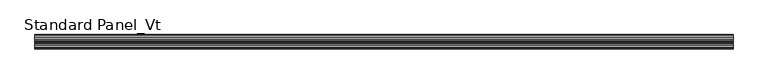
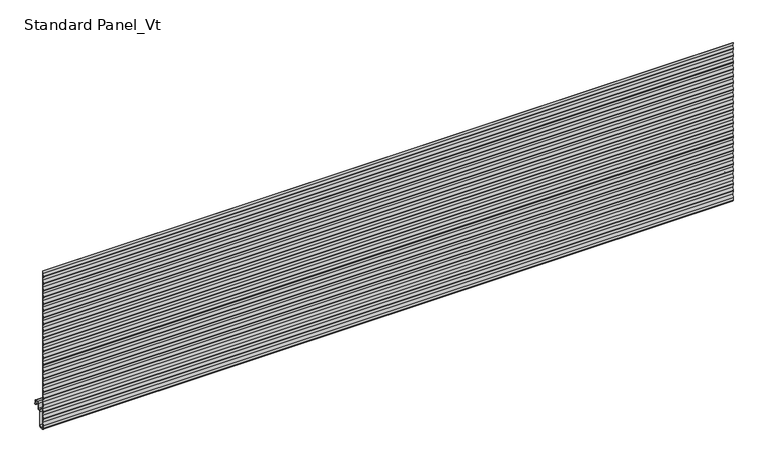
"""IFC4 building model written with IfcOpenShell, lengths in millimetres: proxy geometry, Standard Panel_Vt."""

import ifcopenshell
import ifcopenshell.guid

model = None  # the IFC model being written
_history = None  # IfcOwnerHistory: only IFC2X3 demands one
_inside = {}  # id of a spatial element -> (the spatial element, [elements in it])
_under = {}  # id of a project, library or spatial element -> (it, [spatial elements below it])
_declared = {}  # id of a project -> (the project, [libraries it declares])
_typed = {}  # id of a type object -> (the type object, [elements of that type])
_made_of = {}  # id of a material, layer set ... -> (it, [elements and type objects made of it])


def new_model(schema):
    """Start an empty IFC model of exactly this schema.

    Asked for "IFC4X3", IfcOpenShell would pick the latest addendum, in which some entities
    have other attributes; the version numbers below select the first issue.
    IFC2X3 requires an IfcOwnerHistory on every rooted entity: one is made here for all.
    """
    global model, _history
    if schema == "IFC4X3":
        model = ifcopenshell.file(schema_version=(4, 3, 0, 0))
    else:
        model = ifcopenshell.file(schema=schema)
    _inside.clear()
    _under.clear()
    _declared.clear()
    _typed.clear()
    _made_of.clear()
    _history = None
    if model.schema == "IFC2X3":
        org = make("IfcOrganization", Name="unknown")
        user = make(
            "IfcPersonAndOrganization",
            ThePerson=make("IfcPerson", FamilyName="unknown"),
            TheOrganization=org,
        )
        app = make(
            "IfcApplication",
            ApplicationDeveloper=org,
            Version="unknown",
            ApplicationFullName="unknown",
            ApplicationIdentifier="unknown",
        )
        _history = make(
            "IfcOwnerHistory",
            OwningUser=user,
            OwningApplication=app,
            ChangeAction="ADDED",
            CreationDate=0,
        )
    return model


def make(cls, **values):
    """One entity of the class cls with the attributes given. An attribute that is None is left unset."""
    return model.create_entity(
        cls, **{name: value for name, value in values.items() if value is not None}
    )


def rooted(cls, **values):
    """An entity with a GlobalId (a new one), such as an element, a storey or a relation."""
    return make(cls, GlobalId=ifcopenshell.guid.new(), OwnerHistory=_history, **values)


def si_unit(unit_type, name, prefix=None):
    """IfcSIUnit, for example si_unit("LENGTHUNIT", "METRE", prefix="MILLI")."""
    return make("IfcSIUnit", UnitType=unit_type, Prefix=prefix, Name=name)


def assignment(units):
    """IfcUnitAssignment: the units of a project."""
    return None if units is None else make("IfcUnitAssignment", Units=units)


def point(xyz):
    """IfcCartesianPoint."""
    return None if xyz is None else make("IfcCartesianPoint", Coordinates=xyz)


def direction(xyz):
    """IfcDirection."""
    return None if xyz is None else make("IfcDirection", DirectionRatios=xyz)


def frame(location, z_axis=None, x_axis=None):
    """IfcAxis2Placement3D, a coordinate frame: its origin and axes. An axis left out is left unset."""
    return make(
        "IfcAxis2Placement3D",
        Location=point(location),
        Axis=direction(z_axis),
        RefDirection=direction(x_axis),
    )


def frame_2d(location, x_axis=None):
    """IfcAxis2Placement2D, a coordinate frame in the plane: its origin and x axis."""
    return make(
        "IfcAxis2Placement2D", Location=point(location), RefDirection=direction(x_axis)
    )


def origin():
    """The frame at (0, 0, 0) with its axes left unset."""
    return frame((0.0, 0.0, 0.0))


def place(relative_to, where):
    """IfcLocalPlacement: puts the frame where relative to a parent placement (None: the world)."""
    return make(
        "IfcLocalPlacement", PlacementRelTo=relative_to, RelativePlacement=where
    )


def context(
    kind, dimensions, precision=None, world=None, true_north=None, identifier=None
):
    """IfcGeometricRepresentationContext, for example the 3D "Model" context."""
    return make(
        "IfcGeometricRepresentationContext",
        ContextIdentifier=identifier,
        ContextType=kind,
        CoordinateSpaceDimension=dimensions,
        Precision=precision,
        WorldCoordinateSystem=world,
        TrueNorth=true_north,
    )


def project(units=None, contexts=None):
    """IfcProject with its units and contexts."""
    return rooted(
        "IfcProject",
        Name="project",
        RepresentationContexts=contexts,
        UnitsInContext=assignment(units),
    )


def spatial(cls, under=None, at=None, **own):
    """A site, building, storey or space (cls), placed at a placement, below another one or the project."""
    s = rooted(cls, ObjectPlacement=at, **own)
    if under is not None:
        _under.setdefault(under.id(), (under, []))[1].append(s)
    return s


def polyline(points):
    """IfcPolyline through the points."""
    return make("IfcPolyline", Points=[point(p) for p in points])


def circle_curve(where, radius):
    """IfcCircle in the frame where."""
    return make("IfcCircle", Position=where, Radius=radius)


def trimmed(basis, trim1, trim2, sense, master):
    """IfcTrimmedCurve: the piece of a basis curve between two trims."""
    return make(
        "IfcTrimmedCurve",
        BasisCurve=basis,
        Trim1=trim1,
        Trim2=trim2,
        SenseAgreement=sense,
        MasterRepresentation=master,
    )


def segment(curve, same_sense, transition):
    """IfcCompositeCurveSegment."""
    return make(
        "IfcCompositeCurveSegment",
        Transition=transition,
        SameSense=same_sense,
        ParentCurve=curve,
    )


def composite_curve(segments, self_intersect=None):
    """IfcCompositeCurve: segments joined end to end."""
    return make("IfcCompositeCurve", Segments=segments, SelfIntersect=self_intersect)


def outline(outer, holes=None, kind="AREA"):
    """IfcArbitraryClosedProfileDef: a profile drawn as a closed curve; with holes, ...WithVoids."""
    if holes is None:
        return make("IfcArbitraryClosedProfileDef", ProfileType=kind, OuterCurve=outer)
    return make(
        "IfcArbitraryProfileDefWithVoids",
        ProfileType=kind,
        OuterCurve=outer,
        InnerCurves=holes,
    )


def extrude(swept, where, along, depth):
    """IfcExtrudedAreaSolid: the profile swept, set in the frame where, extruded along a direction by depth."""
    return make(
        "IfcExtrudedAreaSolid",
        SweptArea=swept,
        Position=where,
        ExtrudedDirection=direction(along),
        Depth=depth,
    )


def shape(context_of_items, identifier, shape_type, items):
    """IfcShapeRepresentation: the items that make up one representation, for example the "Body"."""
    return make(
        "IfcShapeRepresentation",
        ContextOfItems=context_of_items,
        RepresentationIdentifier=identifier,
        RepresentationType=shape_type,
        Items=items,
    )


def source(mapping_origin, context_of_items, identifier, shape_type, items):
    """IfcRepresentationMap: a shape defined once, which mapped items show again and again."""
    return make(
        "IfcRepresentationMap",
        MappingOrigin=mapping_origin,
        MappedRepresentation=shape(context_of_items, identifier, shape_type, items),
    )


def transform(
    local_origin,
    x_axis=None,
    y_axis=None,
    z_axis=None,
    scale=None,
    scale2=None,
    scale3=None,
    uniform=True,
):
    """IfcCartesianTransformationOperator3D, or its non-uniform kind. x_axis, y_axis, z_axis: its Axis1, 2, 3."""
    if uniform:
        return make(
            "IfcCartesianTransformationOperator3D",
            Axis1=direction(x_axis),
            Axis2=direction(y_axis),
            LocalOrigin=point(local_origin),
            Scale=scale,
            Axis3=direction(z_axis),
        )
    return make(
        "IfcCartesianTransformationOperator3DnonUniform",
        Axis1=direction(x_axis),
        Axis2=direction(y_axis),
        LocalOrigin=point(local_origin),
        Scale=scale,
        Axis3=direction(z_axis),
        Scale2=scale2,
        Scale3=scale3,
    )


def mapped(mapping_source, mapping_target):
    """IfcMappedItem: shows the shape of a source again, moved by a transform."""
    return make(
        "IfcMappedItem", MappingSource=mapping_source, MappingTarget=mapping_target
    )


def made_of(thing, what):
    """Note that an element or type object is made of a material, layer set ...; save() writes the relation."""
    if what is not None:
        _made_of.setdefault(what.id(), (what, []))[1].append(thing)
    return thing


def element(
    cls,
    number,
    at=None,
    inside=None,
    cuts=None,
    type_object=None,
    material=None,
    context=None,
    identifier="Body",
    shape_type=None,
    held_by="IfcProductDefinitionShape",
    body=None,
    shapes=None,
    **own,
):
    """One element of the class cls, such as IfcWall. Its Tag is "e" and its number.

    at: its placement. inside: the storey or other place that contains it. cuts: it is an
    opening in that element (IfcRelVoidsElement). A single representation is given by context,
    identifier, shape_type and body (its items); several are given by shapes. held_by: the class
    of the entity that holds the representations. save() writes the other relations.
    """
    e = rooted(cls, Tag="e%d" % number, ObjectPlacement=at, **own)
    if body is not None:
        shapes = [shape(context, identifier, shape_type, body)]
    if shapes is not None:
        e.Representation = make(held_by, Representations=shapes)
    if inside is not None:
        _inside.setdefault(inside.id(), (inside, []))[1].append(e)
    if cuts is not None:
        rooted(
            "IfcRelVoidsElement", RelatingBuildingElement=cuts, RelatedOpeningElement=e
        )
    if type_object is not None:
        _typed.setdefault(type_object.id(), (type_object, []))[1].append(e)
    return made_of(e, material)


def aggregate(whole, parts):
    """IfcRelAggregates: a whole, such as a stair, and the parts it consists of."""
    return rooted("IfcRelAggregates", RelatingObject=whole, RelatedObjects=parts)


def save(model, path):
    """Write the relations noted so far, then the file.

    IfcRelAggregates (storeys below a building ...), IfcRelContainedInSpatialStructure (elements
    in a storey), IfcRelDefinesByType, IfcRelAssociatesMaterial and IfcRelDeclares: one each for
    every whole, place, type object, material and project.
    """
    for whole, parts in _under.values():
        aggregate(whole, parts)
    for where, things in _inside.values():
        rooted(
            "IfcRelContainedInSpatialStructure",
            RelatedElements=things,
            RelatingStructure=where,
        )
    for kind, things in _typed.values():
        rooted("IfcRelDefinesByType", RelatedObjects=things, RelatingType=kind)
    for what, things in _made_of.values():
        rooted("IfcRelAssociatesMaterial", RelatedObjects=things, RelatingMaterial=what)
    for by, libraries in _declared.values():
        rooted("IfcRelDeclares", RelatingContext=by, RelatedDefinitions=libraries)
    model.write(path)


def standard_panel_vt_09175ae8(model_context):
    return source(origin(), model_context, "Body", "SweptSolid", [
        extrude(outline(composite_curve([segment(polyline([(-99.0382692, 314.7570927), (-99.7373235, 320.0), (-98.9302437, 320.0), (-98.2311894, 314.7570927), (-99.1690104, 307.7234349)]), True, "CONTINUOUS"), segment(trimmed(circle_curve(frame_2d((-95.5946345, 307.2468514)), 3.6060082), [point((-99.1690104, 307.7234349))], [point((-99.1690104, 306.770268))], True, "CARTESIAN"), True, "CONTINUOUS"), segment(polyline([(-99.1690104, 306.770268), (-98.2311894, 299.7366102), (-99.1690104, 292.7029524)]), True, "CONTINUOUS"), segment(trimmed(circle_curve(frame_2d((-95.5946345, 292.226369)), 3.6060082), [point((-99.1690104, 292.7029524))], [point((-99.1690104, 291.7497855))], True, "CARTESIAN"), True, "CONTINUOUS"), segment(polyline([(-99.1690104, 291.7497855), (-98.2311894, 284.7161278), (-99.1690104, 277.68247)]), True, "CONTINUOUS"), segment(trimmed(circle_curve(frame_2d((-95.5946345, 277.2058865)), 3.6060082), [point((-99.1690104, 277.68247))], [point((-99.1690104, 276.7293031))], True, "CARTESIAN"), True, "CONTINUOUS"), segment(polyline([(-99.1690104, 276.7293031), (-98.2311894, 269.6956453), (-99.1690104, 262.6619875)]), True, "CONTINUOUS"), segment(trimmed(circle_curve(frame_2d((-95.5946345, 262.1854041)), 3.6060082), [point((-99.1690104, 262.6619875))], [point((-99.1690104, 261.7088206))], True, "CARTESIAN"), True, "CONTINUOUS"), segment(polyline([(-99.1690104, 261.7088206), (-98.2311894, 254.6751629), (-99.1690104, 247.6415051)]), True, "CONTINUOUS"), segment(trimmed(circle_curve(frame_2d((-95.5946345, 247.1649216)), 3.6060082), [point((-99.1690104, 247.6415051))], [point((-99.1690104, 246.6883382))], True, "CARTESIAN"), True, "CONTINUOUS"), segment(polyline([(-99.1690104, 246.6883382), (-98.2311894, 239.6546804), (-99.1690104, 232.6210227)]), True, "CONTINUOUS"), segment(trimmed(circle_curve(frame_2d((-95.5946345, 232.1444392)), 3.6060082), [point((-99.1690104, 232.6210227))], [point((-99.1690104, 231.6678557))], True, "CARTESIAN"), True, "CONTINUOUS"), segment(polyline([(-99.1690104, 231.6678557), (-98.2311894, 224.634198), (-99.1690104, 217.6005402)]), True, "CONTINUOUS"), segment(trimmed(circle_curve(frame_2d((-95.5946345, 217.1239568)), 3.6060082), [point((-99.1690104, 217.6005402))], [point((-99.1690104, 216.6473733))], True, "CARTESIAN"), True, "CONTINUOUS"), segment(polyline([(-99.1690104, 216.6473733), (-98.2311894, 209.6137155), (-99.1690104, 202.5800578)]), True, "CONTINUOUS"), segment(trimmed(circle_curve(frame_2d((-95.5946345, 202.1034743)), 3.6060082), [point((-99.1690104, 202.5800578))], [point((-99.1690104, 201.6268908))], True, "CARTESIAN"), True, "CONTINUOUS"), segment(polyline([(-99.1690104, 201.6268908), (-98.2311894, 194.5932331), (-99.1690104, 187.5595753)]), True, "CONTINUOUS"), segment(trimmed(circle_curve(frame_2d((-95.5946345, 187.0829919)), 3.6060082), [point((-99.1690104, 187.5595753))], [point((-99.1690104, 186.6064084))], True, "CARTESIAN"), True, "CONTINUOUS"), segment(polyline([(-99.1690104, 186.6064084), (-98.2311894, 179.5727507), (-99.1690104, 172.5390929)]), True, "CONTINUOUS"), segment(trimmed(circle_curve(frame_2d((-95.5946345, 172.0625094)), 3.6060082), [point((-99.1690104, 172.5390929))], [point((-99.1690104, 171.585926))], True, "CARTESIAN"), True, "CONTINUOUS"), segment(polyline([(-99.1690104, 171.585926), (-98.2311894, 164.5522682), (-99.1690104, 157.5186104)]), True, "CONTINUOUS"), segment(trimmed(circle_curve(frame_2d((-95.5946345, 157.042027)), 3.6060082), [point((-99.1690104, 157.5186104))], [point((-99.1690104, 156.5654435))], True, "CARTESIAN"), True, "CONTINUOUS"), segment(polyline([(-99.1690104, 156.5654435), (-98.2311894, 149.5317858), (-99.1690104, 142.498128)]), True, "CONTINUOUS"), segment(trimmed(circle_curve(frame_2d((-95.5946345, 142.0215445)), 3.6060082), [point((-99.1690104, 142.498128))], [point((-99.1690104, 141.5449611))], True, "CARTESIAN"), True, "CONTINUOUS"), segment(polyline([(-99.1690104, 141.5449611), (-98.2311894, 134.5113033), (-99.1690104, 127.4776455)]), True, "CONTINUOUS"), segment(trimmed(circle_curve(frame_2d((-95.5946345, 127.0010621)), 3.6060082), [point((-99.1690104, 127.4776455))], [point((-99.1690104, 126.5244786))], True, "CARTESIAN"), True, "CONTINUOUS"), segment(polyline([(-99.1690104, 126.5244786), (-98.2311894, 119.4908209), (-99.1690104, 112.4571631)]), True, "CONTINUOUS"), segment(trimmed(circle_curve(frame_2d((-95.5946345, 111.9805796)), 3.6060082), [point((-99.1690104, 112.4571631))], [point((-99.1690104, 111.5039962))], True, "CARTESIAN"), True, "CONTINUOUS"), segment(polyline([(-99.1690104, 111.5039962), (-98.2311894, 104.4703384), (-99.1690104, 97.4366807)]), True, "CONTINUOUS"), segment(trimmed(circle_curve(frame_2d((-95.5946345, 96.9600972)), 3.6060082), [point((-99.1690104, 97.4366807))], [point((-99.1690104, 96.4835137))], True, "CARTESIAN"), True, "CONTINUOUS"), segment(polyline([(-99.1690104, 96.4835137), (-98.2311894, 89.449856), (-99.1690104, 82.4161982)]), True, "CONTINUOUS"), segment(trimmed(circle_curve(frame_2d((-95.5946345, 81.9396148)), 3.6060082), [point((-99.1690104, 82.4161982))], [point((-99.1690104, 81.4630313))], True, "CARTESIAN"), True, "CONTINUOUS"), segment(polyline([(-99.1690104, 81.4630313), (-98.2311894, 74.4293735), (-99.1690104, 67.3957158)]), True, "CONTINUOUS"), segment(trimmed(circle_curve(frame_2d((-95.5946345, 66.9191323)), 3.6060082), [point((-99.1690104, 67.3957158))], [point((-99.1690104, 66.4425488))], True, "CARTESIAN"), True, "CONTINUOUS"), segment(polyline([(-99.1690104, 66.4425488), (-98.2311894, 59.4088911), (-99.1690104, 52.3752333)]), True, "CONTINUOUS"), segment(trimmed(circle_curve(frame_2d((-95.5946345, 51.8986499)), 3.6060082), [point((-99.1690104, 52.3752333))], [point((-99.1690104, 51.4220664))], True, "CARTESIAN"), True, "CONTINUOUS"), segment(polyline([(-99.1690104, 51.4220664), (-98.2311894, 44.3884087), (-99.1690104, 37.3547509)]), True, "CONTINUOUS"), segment(trimmed(circle_curve(frame_2d((-95.5946345, 36.8781674)), 3.6060082), [point((-99.1690104, 37.3547509))], [point((-99.1690104, 36.401584))], True, "CARTESIAN"), True, "CONTINUOUS"), segment(polyline([(-99.1690104, 36.401584), (-98.2311894, 29.3679262), (-99.2325549, 21.857685), (-98.2311894, 14.3474437), (-99.1690104, 7.313786)]), True, "CONTINUOUS"), segment(trimmed(circle_curve(frame_2d((-95.5946345, 6.8372025)), 3.6060082), [point((-99.1690104, 7.313786))], [point((-99.1690104, 6.3606191))], True, "CARTESIAN"), True, "CONTINUOUS"), segment(polyline([(-99.1690104, 6.3606191), (-98.2311894, -0.6730387), (-99.1690104, -7.7066964)]), True, "CONTINUOUS"), segment(trimmed(circle_curve(frame_2d((-95.5946345, -8.1832799)), 3.6060082), [point((-99.1690104, -7.7066964))], [point((-99.1690104, -8.6598634))], True, "CARTESIAN"), True, "CONTINUOUS"), segment(polyline([(-99.1690104, -8.6598634), (-98.2311894, -15.6935211), (-99.2006275, -22.9643066), (-99.2006275, -28.9549199)]), True, "CONTINUOUS"), segment(trimmed(circle_curve(frame_2d((-96.4402183, -28.9549199)), 2.7604092), [point((-99.2006275, -28.9549199))], [point((-96.1996106, -31.704823))], True, "CARTESIAN"), True, "CONTINUOUS"), segment(polyline([(-96.1996106, -31.704823), (-91.4529208, -31.2895029)]), True, "CONTINUOUS"), segment(trimmed(circle_curve(frame_2d((-91.7057134, -28.4003379)), 2.9002032), [point((-91.4529208, -31.2895029))], [point((-88.8055103, -28.4003379))], True, "CARTESIAN"), True, "CONTINUOUS"), segment(polyline([(-88.8055103, -28.4003379), (-88.8055103, 1.2289307)]), True, "CONTINUOUS"), segment(trimmed(circle_curve(frame_2d((-86.4057064, 1.2289307)), 2.3998039), [point((-88.8055103, 1.2289307))], [point((-86.4057064, 3.6287346))], False, "CARTESIAN"), True, "CONTINUOUS"), segment(polyline([(-86.4057064, 3.6287346), (-84.4057064, 3.6287346)]), True, "CONTINUOUS"), segment(trimmed(circle_curve(frame_2d((-84.4057064, 5.2289307)), 1.6001961), [point((-84.4057064, 3.6287346))], [point((-82.8055103, 5.2289307))], True, "CARTESIAN"), True, "CONTINUOUS"), segment(polyline([(-82.8055103, 5.2289307), (-82.8055103, 15.8984215)]), True, "CONTINUOUS"), segment(trimmed(circle_curve(frame_2d((-79.6557064, 15.8984215)), 3.1498039), [point((-82.8055103, 15.8984215))], [point((-79.6557064, 19.0482254))], False, "CARTESIAN"), True, "CONTINUOUS"), segment(polyline([(-79.6557064, 19.0482254), (-75.2557048, 19.0482254)]), True, "CONTINUOUS"), segment(trimmed(circle_curve(frame_2d((-75.2557048, 15.8984215)), 3.1498039), [point((-75.2557048, 19.0482254))], [point((-72.1059009, 15.8984215))], False, "CARTESIAN"), True, "CONTINUOUS"), segment(polyline([(-72.1059009, 15.8984215), (-72.1059009, 8.1391937)]), True, "CONTINUOUS"), segment(trimmed(circle_curve(frame_2d((-71.7057056, 8.1391937)), 0.4001953), [point((-72.1059009, 8.1391937))], [point((-71.3055103, 8.1391937))], True, "CARTESIAN"), True, "CONTINUOUS"), segment(polyline([(-71.3055103, 8.1391937), (-71.3055103, 9.509193), (-70.5055103, 9.509193), (-70.5055103, 8.1391937)]), True, "CONTINUOUS"), segment(trimmed(circle_curve(frame_2d((-71.7057056, 8.1391937)), 1.2001953), [point((-70.5055103, 8.1391937))], [point((-72.9059009, 8.1391937))], False, "CARTESIAN"), True, "CONTINUOUS"), segment(polyline([(-72.9059009, 8.1391937), (-72.9059009, 15.8984215)]), True, "CONTINUOUS"), segment(trimmed(circle_curve(frame_2d((-75.2557048, 15.8984215)), 2.3498039), [point((-72.9059009, 15.8984215))], [point((-75.2557048, 18.2482254))], True, "CARTESIAN"), True, "CONTINUOUS"), segment(polyline([(-75.2557048, 18.2482254), (-79.6557064, 18.2482254)]), True, "CONTINUOUS"), segment(trimmed(circle_curve(frame_2d((-79.6557064, 15.8984215)), 2.3498039), [point((-79.6557064, 18.2482254))], [point((-82.0055103, 15.8984215))], True, "CARTESIAN"), True, "CONTINUOUS"), segment(polyline([(-82.0055103, 15.8984215), (-82.0055103, 5.2289307)]), True, "CONTINUOUS"), segment(trimmed(circle_curve(frame_2d((-84.4057064, 5.2289307)), 2.4001961), [point((-82.0055103, 5.2289307))], [point((-84.4057064, 2.8287346))], False, "CARTESIAN"), True, "CONTINUOUS"), segment(polyline([(-84.4057064, 2.8287346), (-86.4057064, 2.8287346)]), True, "CONTINUOUS"), segment(trimmed(circle_curve(frame_2d((-86.4057064, 1.2289307)), 1.5998039), [point((-86.4057064, 2.8287346))], [point((-88.0055103, 1.2289307))], True, "CARTESIAN"), True, "CONTINUOUS"), segment(polyline([(-88.0055103, 1.2289307), (-88.0055103, -28.4003379)]), True, "CONTINUOUS"), segment(trimmed(circle_curve(frame_2d((-91.7057134, -28.4003379)), 3.7002032), [point((-88.0055103, -28.4003379))], [point((-91.3831898, -32.0864581))], False, "CARTESIAN"), True, "CONTINUOUS"), segment(polyline([(-91.3831898, -32.0864581), (-96.1298796, -32.5017781)]), True, "CONTINUOUS"), segment(trimmed(circle_curve(frame_2d((-96.4402183, -28.9549199)), 3.5604092), [point((-96.1298796, -32.5017781))], [point((-100.0006275, -28.9549199))], False, "CARTESIAN"), True, "CONTINUOUS"), segment(polyline([(-100.0006275, -28.9549199), (-100.0006275, -22.9112082), (-99.0382692, -15.6935211), (-99.9619928, -8.7655943)]), True, "CONTINUOUS"), segment(trimmed(circle_curve(frame_2d((-95.5946345, -8.1832799)), 4.4060082), [point((-99.9619928, -8.7655943))], [point((-99.9619928, -7.6009655))], False, "CARTESIAN"), True, "CONTINUOUS"), segment(polyline([(-99.9619928, -7.6009655), (-99.0382692, -0.6730387), (-99.9619928, 6.2548881)]), True, "CONTINUOUS"), segment(trimmed(circle_curve(frame_2d((-95.5946345, 6.8372025)), 4.4060082), [point((-99.9619928, 6.2548881))], [point((-99.9619928, 7.419517))], False, "CARTESIAN"), True, "CONTINUOUS"), segment(polyline([(-99.9619928, 7.419517), (-99.0382692, 14.3474437), (-100.0396347, 21.857685), (-99.0382692, 29.3679262), (-99.9619928, 36.295853)]), True, "CONTINUOUS"), segment(trimmed(circle_curve(frame_2d((-95.5946345, 36.8781674)), 4.4060082), [point((-99.9619928, 36.295853))], [point((-99.9619928, 37.4604819))], False, "CARTESIAN"), True, "CONTINUOUS"), segment(polyline([(-99.9619928, 37.4604819), (-99.0382692, 44.3884087), (-99.9619928, 51.3163354)]), True, "CONTINUOUS"), segment(trimmed(circle_curve(frame_2d((-95.5946345, 51.8986499)), 4.4060082), [point((-99.9619928, 51.3163354))], [point((-99.9619928, 52.4809643))], False, "CARTESIAN"), True, "CONTINUOUS"), segment(polyline([(-99.9619928, 52.4809643), (-99.0382692, 59.4088911), (-99.9619928, 66.3368179)]), True, "CONTINUOUS"), segment(trimmed(circle_curve(frame_2d((-95.5946345, 66.9191323)), 4.4060082), [point((-99.9619928, 66.3368179))], [point((-99.9619928, 67.5014467))], False, "CARTESIAN"), True, "CONTINUOUS"), segment(polyline([(-99.9619928, 67.5014467), (-99.0382692, 74.4293735), (-99.9619928, 81.3573003)]), True, "CONTINUOUS"), segment(trimmed(circle_curve(frame_2d((-95.5946345, 81.9396148)), 4.4060082), [point((-99.9619928, 81.3573003))], [point((-99.9619928, 82.5219292))], False, "CARTESIAN"), True, "CONTINUOUS"), segment(polyline([(-99.9619928, 82.5219292), (-99.0382692, 89.449856), (-99.9619928, 96.3777828)]), True, "CONTINUOUS"), segment(trimmed(circle_curve(frame_2d((-95.5946345, 96.9600972)), 4.4060082), [point((-99.9619928, 96.3777828))], [point((-99.9619928, 97.5424116))], False, "CARTESIAN"), True, "CONTINUOUS"), segment(polyline([(-99.9619928, 97.5424116), (-99.0382692, 104.4703384), (-99.9619928, 111.3982652)]), True, "CONTINUOUS"), segment(trimmed(circle_curve(frame_2d((-95.5946345, 111.9805796)), 4.4060082), [point((-99.9619928, 111.3982652))], [point((-99.9619928, 112.5628941))], False, "CARTESIAN"), True, "CONTINUOUS"), segment(polyline([(-99.9619928, 112.5628941), (-99.0382692, 119.4908209), (-99.9619928, 126.4187476)]), True, "CONTINUOUS"), segment(trimmed(circle_curve(frame_2d((-95.5946345, 127.0010621)), 4.4060082), [point((-99.9619928, 126.4187476))], [point((-99.9619928, 127.5833765))], False, "CARTESIAN"), True, "CONTINUOUS"), segment(polyline([(-99.9619928, 127.5833765), (-99.0382692, 134.5113033), (-99.9619928, 141.4392301)]), True, "CONTINUOUS"), segment(trimmed(circle_curve(frame_2d((-95.5946345, 142.0215445)), 4.4060082), [point((-99.9619928, 141.4392301))], [point((-99.9619928, 142.603859))], False, "CARTESIAN"), True, "CONTINUOUS"), segment(polyline([(-99.9619928, 142.603859), (-99.0382692, 149.5317858), (-99.9619928, 156.4597125)]), True, "CONTINUOUS"), segment(trimmed(circle_curve(frame_2d((-95.5946345, 157.042027)), 4.4060082), [point((-99.9619928, 156.4597125))], [point((-99.9619928, 157.6243414))], False, "CARTESIAN"), True, "CONTINUOUS"), segment(polyline([(-99.9619928, 157.6243414), (-99.0382692, 164.5522682), (-99.9619928, 171.480195)]), True, "CONTINUOUS"), segment(trimmed(circle_curve(frame_2d((-95.5946345, 172.0625094)), 4.4060082), [point((-99.9619928, 171.480195))], [point((-99.9619928, 172.6448239))], False, "CARTESIAN"), True, "CONTINUOUS"), segment(polyline([(-99.9619928, 172.6448239), (-99.0382692, 179.5727507), (-99.9619928, 186.5006774)]), True, "CONTINUOUS"), segment(trimmed(circle_curve(frame_2d((-95.5946345, 187.0829919)), 4.4060082), [point((-99.9619928, 186.5006774))], [point((-99.9619928, 187.6653063))], False, "CARTESIAN"), True, "CONTINUOUS"), segment(polyline([(-99.9619928, 187.6653063), (-99.0382692, 194.5932331), (-99.9619928, 201.5211599)]), True, "CONTINUOUS"), segment(trimmed(circle_curve(frame_2d((-95.5946345, 202.1034743)), 4.4060082), [point((-99.9619928, 201.5211599))], [point((-99.9619928, 202.6857887))], False, "CARTESIAN"), True, "CONTINUOUS"), segment(polyline([(-99.9619928, 202.6857887), (-99.0382692, 209.6137155), (-99.9619928, 216.5416423)]), True, "CONTINUOUS"), segment(trimmed(circle_curve(frame_2d((-95.5946345, 217.1239568)), 4.4060082), [point((-99.9619928, 216.5416423))], [point((-99.9619928, 217.7062712))], False, "CARTESIAN"), True, "CONTINUOUS"), segment(polyline([(-99.9619928, 217.7062712), (-99.0382692, 224.634198), (-99.9619928, 231.5621248)]), True, "CONTINUOUS"), segment(trimmed(circle_curve(frame_2d((-95.5946345, 232.1444392)), 4.4060082), [point((-99.9619928, 231.5621248))], [point((-99.9619928, 232.7267536))], False, "CARTESIAN"), True, "CONTINUOUS"), segment(polyline([(-99.9619928, 232.7267536), (-99.0382692, 239.6546804), (-99.9619928, 246.5826072)]), True, "CONTINUOUS"), segment(trimmed(circle_curve(frame_2d((-95.5946345, 247.1649216)), 4.4060082), [point((-99.9619928, 246.5826072))], [point((-99.9619928, 247.7472361))], False, "CARTESIAN"), True, "CONTINUOUS"), segment(polyline([(-99.9619928, 247.7472361), (-99.0382692, 254.6751629), (-99.9619928, 261.6030896)]), True, "CONTINUOUS"), segment(trimmed(circle_curve(frame_2d((-95.5946345, 262.1854041)), 4.4060082), [point((-99.9619928, 261.6030896))], [point((-99.9619928, 262.7677185))], False, "CARTESIAN"), True, "CONTINUOUS"), segment(polyline([(-99.9619928, 262.7677185), (-99.0382692, 269.6956453), (-99.9619928, 276.6235721)]), True, "CONTINUOUS"), segment(trimmed(circle_curve(frame_2d((-95.5946345, 277.2058865)), 4.4060082), [point((-99.9619928, 276.6235721))], [point((-99.9619928, 277.788201))], False, "CARTESIAN"), True, "CONTINUOUS"), segment(polyline([(-99.9619928, 277.788201), (-99.0382692, 284.7161278), (-99.9619928, 291.6440545)]), True, "CONTINUOUS"), segment(trimmed(circle_curve(frame_2d((-95.5946345, 292.226369)), 4.4060082), [point((-99.9619928, 291.6440545))], [point((-99.9619928, 292.8086834))], False, "CARTESIAN"), True, "CONTINUOUS"), segment(polyline([(-99.9619928, 292.8086834), (-99.0382692, 299.7366102), (-99.9619928, 306.664537)]), True, "CONTINUOUS"), segment(trimmed(circle_curve(frame_2d((-95.5946345, 307.2468514)), 4.4060082), [point((-99.9619928, 306.664537))], [point((-99.9619928, 307.8291658))], False, "CARTESIAN"), True, "CONTINUOUS"), segment(polyline([(-99.9619928, 307.8291658), (-99.0382692, 314.7570927)]), True, "CONTINUOUS")], self_intersect=False)), frame((-723.9042608, 0.0, 0.0), z_axis=(1.0, 0.0, 0.0), x_axis=(0.0, 1.0, 0.0)), (0.0, 0.0, 1.0), 1447.8085217),
    ])


if __name__ == "__main__":
    model = new_model("IFC4")
    model_context = context("Model", 3, world=origin())
    ifc_project = project(units=[si_unit("LENGTHUNIT", "METRE", prefix="MILLI")], contexts=[model_context])
    site = spatial("IfcSite", under=ifc_project)
    building = spatial("IfcBuilding", under=site)
    placement = place(None, origin())
    standard_panel_vt_shape = standard_panel_vt_09175ae8(model_context)
    element("IfcBuildingElementProxy", 1, Name="Standard Panel_Vt", ObjectType="Standard Panel_Vt", at=placement, inside=building, context=model_context, shape_type="MappedRepresentation", body=[
        mapped(standard_panel_vt_shape, transform((0.0, 0.0, 0.0), x_axis=(1.0, 0.0, 0.0), y_axis=(0.0, 1.0, 0.0), z_axis=(0.0, 0.0, 1.0))),
    ])
    save(model, "model.ifc")
